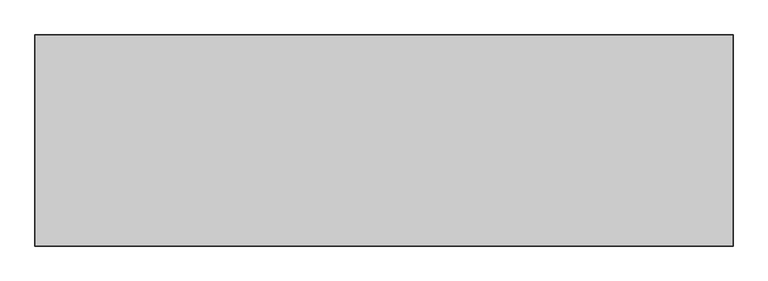
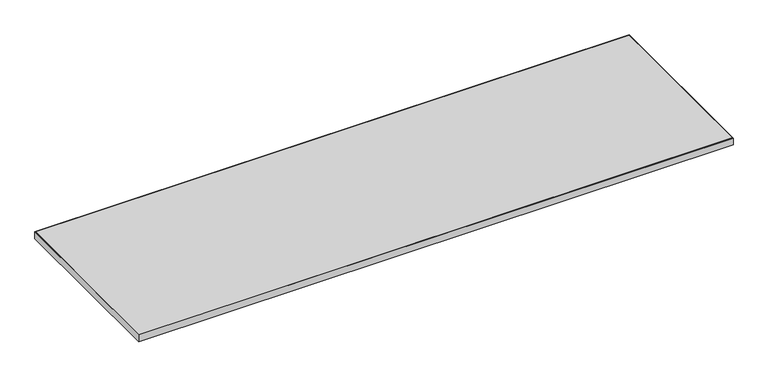
"""IFC4 building model written with IfcOpenShell, lengths in millimetres: furniture geometry."""

from ifc_helpers import new_model, si_unit, frame, origin, place, context, project, spatial, polyline, outline, extrude, source, transform, mapped, element, save


def furniture_a77ee6af(model_context):
    return source(origin(), model_context, "Body", "SweptSolid", [
        extrude(outline(polyline([(1971.1273996, 23.8916812), (-461.0242004, 23.8916812), (-461.0242004, 757.2912812), (1971.1273996, 757.2912812), (1971.1273996, 23.8916812)])), frame((0.0, 0.0, 707.0328125), z_axis=(0.0, 0.0, 1.0), x_axis=(1.0, 0.0, 0.0)), (0.0, 0.0, 1.0), 29.5671875),
        extrude(outline(polyline([(1972.7148996, 758.8787812), (1972.7148996, 22.3041812), (-462.6117004, 22.3041812), (-462.6117004, 758.8787812), (1972.7148996, 758.8787812)]), holes=[polyline([(-461.0242004, 757.2912812), (-461.0242004, 23.8916812), (1971.1273996, 23.8916812), (1971.1273996, 757.2912812), (-461.0242004, 757.2912812)])]), frame((0.0, 0.0, 707.009), z_axis=(0.0, 0.0, 1.0), x_axis=(1.0, 0.0, 0.0)), (0.0, 0.0, 1.0), 29.591),
    ])


if __name__ == "__main__":
    model = new_model("IFC4")
    model_context = context("Model", 3, world=origin())
    ifc_project = project(units=[si_unit("LENGTHUNIT", "METRE", prefix="MILLI")], contexts=[model_context])
    site = spatial("IfcSite", under=ifc_project)
    building = spatial("IfcBuilding", under=site)
    placement = place(None, origin())
    furniture_shape = furniture_a77ee6af(model_context)
    element("IfcFurniture", 1, at=placement, inside=building, context=model_context, shape_type="MappedRepresentation", body=[
        mapped(furniture_shape, transform((0.0, 0.0, 0.0), x_axis=(1.0, 0.0, 0.0), y_axis=(0.0, 1.0, 0.0), z_axis=(0.0, 0.0, 1.0))),
    ])
    save(model, "model.ifc")
